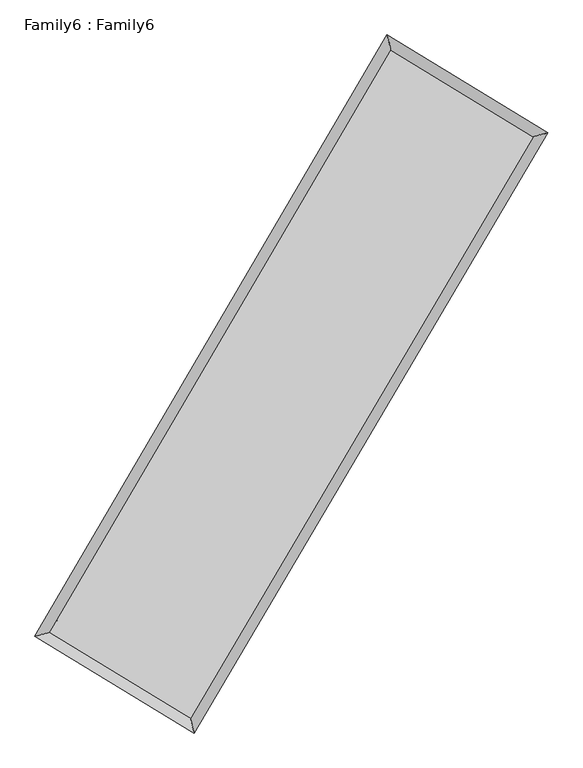
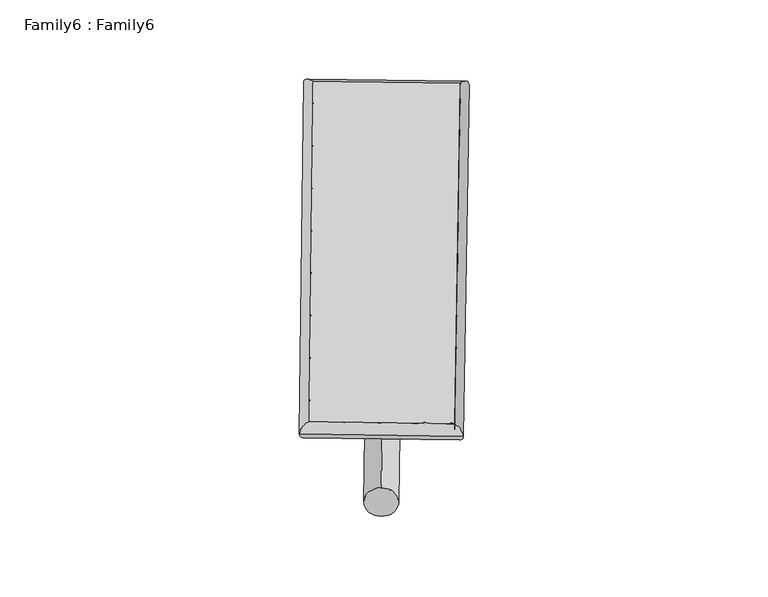
"""IFC4 building model written with IfcOpenShell, lengths in millimetres: plate geometry, Family6 : Family6."""

import ifcopenshell
import ifcopenshell.guid

model = None  # the IFC model being written
_history = None  # IfcOwnerHistory: only IFC2X3 demands one
_inside = {}  # id of a spatial element -> (the spatial element, [elements in it])
_under = {}  # id of a project, library or spatial element -> (it, [spatial elements below it])
_declared = {}  # id of a project -> (the project, [libraries it declares])
_typed = {}  # id of a type object -> (the type object, [elements of that type])
_made_of = {}  # id of a material, layer set ... -> (it, [elements and type objects made of it])


def new_model(schema):
    """Start an empty IFC model of exactly this schema.

    Asked for "IFC4X3", IfcOpenShell would pick the latest addendum, in which some entities
    have other attributes; the version numbers below select the first issue.
    IFC2X3 requires an IfcOwnerHistory on every rooted entity: one is made here for all.
    """
    global model, _history
    if schema == "IFC4X3":
        model = ifcopenshell.file(schema_version=(4, 3, 0, 0))
    else:
        model = ifcopenshell.file(schema=schema)
    _inside.clear()
    _under.clear()
    _declared.clear()
    _typed.clear()
    _made_of.clear()
    _history = None
    if model.schema == "IFC2X3":
        org = make("IfcOrganization", Name="unknown")
        user = make(
            "IfcPersonAndOrganization",
            ThePerson=make("IfcPerson", FamilyName="unknown"),
            TheOrganization=org,
        )
        app = make(
            "IfcApplication",
            ApplicationDeveloper=org,
            Version="unknown",
            ApplicationFullName="unknown",
            ApplicationIdentifier="unknown",
        )
        _history = make(
            "IfcOwnerHistory",
            OwningUser=user,
            OwningApplication=app,
            ChangeAction="ADDED",
            CreationDate=0,
        )
    return model


def make(cls, **values):
    """One entity of the class cls with the attributes given. An attribute that is None is left unset."""
    return model.create_entity(
        cls, **{name: value for name, value in values.items() if value is not None}
    )


def rooted(cls, **values):
    """An entity with a GlobalId (a new one), such as an element, a storey or a relation."""
    return make(cls, GlobalId=ifcopenshell.guid.new(), OwnerHistory=_history, **values)


def si_unit(unit_type, name, prefix=None):
    """IfcSIUnit, for example si_unit("LENGTHUNIT", "METRE", prefix="MILLI")."""
    return make("IfcSIUnit", UnitType=unit_type, Prefix=prefix, Name=name)


def assignment(units):
    """IfcUnitAssignment: the units of a project."""
    return None if units is None else make("IfcUnitAssignment", Units=units)


def point(xyz):
    """IfcCartesianPoint."""
    return None if xyz is None else make("IfcCartesianPoint", Coordinates=xyz)


def direction(xyz):
    """IfcDirection."""
    return None if xyz is None else make("IfcDirection", DirectionRatios=xyz)


def frame(location, z_axis=None, x_axis=None):
    """IfcAxis2Placement3D, a coordinate frame: its origin and axes. An axis left out is left unset."""
    return make(
        "IfcAxis2Placement3D",
        Location=point(location),
        Axis=direction(z_axis),
        RefDirection=direction(x_axis),
    )


def frame_2d(location, x_axis=None):
    """IfcAxis2Placement2D, a coordinate frame in the plane: its origin and x axis."""
    return make(
        "IfcAxis2Placement2D", Location=point(location), RefDirection=direction(x_axis)
    )


def origin():
    """The frame at (0, 0, 0) with its axes left unset."""
    return frame((0.0, 0.0, 0.0))


def origin_2d():
    """The frame at (0, 0) in the plane with its x axis left unset."""
    return frame_2d((0.0, 0.0))


def place(relative_to, where):
    """IfcLocalPlacement: puts the frame where relative to a parent placement (None: the world)."""
    return make(
        "IfcLocalPlacement", PlacementRelTo=relative_to, RelativePlacement=where
    )


def context(
    kind, dimensions, precision=None, world=None, true_north=None, identifier=None
):
    """IfcGeometricRepresentationContext, for example the 3D "Model" context."""
    return make(
        "IfcGeometricRepresentationContext",
        ContextIdentifier=identifier,
        ContextType=kind,
        CoordinateSpaceDimension=dimensions,
        Precision=precision,
        WorldCoordinateSystem=world,
        TrueNorth=true_north,
    )


def project(units=None, contexts=None):
    """IfcProject with its units and contexts."""
    return rooted(
        "IfcProject",
        Name="project",
        RepresentationContexts=contexts,
        UnitsInContext=assignment(units),
    )


def spatial(cls, under=None, at=None, **own):
    """A site, building, storey or space (cls), placed at a placement, below another one or the project."""
    s = rooted(cls, ObjectPlacement=at, **own)
    if under is not None:
        _under.setdefault(under.id(), (under, []))[1].append(s)
    return s


def circle_curve(where, radius):
    """IfcCircle in the frame where."""
    return make("IfcCircle", Position=where, Radius=radius)


def ellipse_curve(where, semi_axis1, semi_axis2):
    """IfcEllipse in the frame where."""
    return make(
        "IfcEllipse", Position=where, SemiAxis1=semi_axis1, SemiAxis2=semi_axis2
    )


def trimmed(basis, trim1, trim2, sense, master):
    """IfcTrimmedCurve: the piece of a basis curve between two trims."""
    return make(
        "IfcTrimmedCurve",
        BasisCurve=basis,
        Trim1=trim1,
        Trim2=trim2,
        SenseAgreement=sense,
        MasterRepresentation=master,
    )


def segment(curve, same_sense, transition):
    """IfcCompositeCurveSegment."""
    return make(
        "IfcCompositeCurveSegment",
        Transition=transition,
        SameSense=same_sense,
        ParentCurve=curve,
    )


def composite_curve(segments, self_intersect=None):
    """IfcCompositeCurve: segments joined end to end."""
    return make("IfcCompositeCurve", Segments=segments, SelfIntersect=self_intersect)


def outline(outer, holes=None, kind="AREA"):
    """IfcArbitraryClosedProfileDef: a profile drawn as a closed curve; with holes, ...WithVoids."""
    if holes is None:
        return make("IfcArbitraryClosedProfileDef", ProfileType=kind, OuterCurve=outer)
    return make(
        "IfcArbitraryProfileDefWithVoids",
        ProfileType=kind,
        OuterCurve=outer,
        InnerCurves=holes,
    )


def extrude(swept, where, along, depth):
    """IfcExtrudedAreaSolid: the profile swept, set in the frame where, extruded along a direction by depth."""
    return make(
        "IfcExtrudedAreaSolid",
        SweptArea=swept,
        Position=where,
        ExtrudedDirection=direction(along),
        Depth=depth,
    )


def shape(context_of_items, identifier, shape_type, items):
    """IfcShapeRepresentation: the items that make up one representation, for example the "Body"."""
    return make(
        "IfcShapeRepresentation",
        ContextOfItems=context_of_items,
        RepresentationIdentifier=identifier,
        RepresentationType=shape_type,
        Items=items,
    )


def source(mapping_origin, context_of_items, identifier, shape_type, items):
    """IfcRepresentationMap: a shape defined once, which mapped items show again and again."""
    return make(
        "IfcRepresentationMap",
        MappingOrigin=mapping_origin,
        MappedRepresentation=shape(context_of_items, identifier, shape_type, items),
    )


def transform(
    local_origin,
    x_axis=None,
    y_axis=None,
    z_axis=None,
    scale=None,
    scale2=None,
    scale3=None,
    uniform=True,
):
    """IfcCartesianTransformationOperator3D, or its non-uniform kind. x_axis, y_axis, z_axis: its Axis1, 2, 3."""
    if uniform:
        return make(
            "IfcCartesianTransformationOperator3D",
            Axis1=direction(x_axis),
            Axis2=direction(y_axis),
            LocalOrigin=point(local_origin),
            Scale=scale,
            Axis3=direction(z_axis),
        )
    return make(
        "IfcCartesianTransformationOperator3DnonUniform",
        Axis1=direction(x_axis),
        Axis2=direction(y_axis),
        LocalOrigin=point(local_origin),
        Scale=scale,
        Axis3=direction(z_axis),
        Scale2=scale2,
        Scale3=scale3,
    )


def mapped(mapping_source, mapping_target):
    """IfcMappedItem: shows the shape of a source again, moved by a transform."""
    return make(
        "IfcMappedItem", MappingSource=mapping_source, MappingTarget=mapping_target
    )


def made_of(thing, what):
    """Note that an element or type object is made of a material, layer set ...; save() writes the relation."""
    if what is not None:
        _made_of.setdefault(what.id(), (what, []))[1].append(thing)
    return thing


def element(
    cls,
    number,
    at=None,
    inside=None,
    cuts=None,
    type_object=None,
    material=None,
    context=None,
    identifier="Body",
    shape_type=None,
    held_by="IfcProductDefinitionShape",
    body=None,
    shapes=None,
    **own,
):
    """One element of the class cls, such as IfcWall. Its Tag is "e" and its number.

    at: its placement. inside: the storey or other place that contains it. cuts: it is an
    opening in that element (IfcRelVoidsElement). A single representation is given by context,
    identifier, shape_type and body (its items); several are given by shapes. held_by: the class
    of the entity that holds the representations. save() writes the other relations.
    """
    e = rooted(cls, Tag="e%d" % number, ObjectPlacement=at, **own)
    if body is not None:
        shapes = [shape(context, identifier, shape_type, body)]
    if shapes is not None:
        e.Representation = make(held_by, Representations=shapes)
    if inside is not None:
        _inside.setdefault(inside.id(), (inside, []))[1].append(e)
    if cuts is not None:
        rooted(
            "IfcRelVoidsElement", RelatingBuildingElement=cuts, RelatedOpeningElement=e
        )
    if type_object is not None:
        _typed.setdefault(type_object.id(), (type_object, []))[1].append(e)
    return made_of(e, material)


def aggregate(whole, parts):
    """IfcRelAggregates: a whole, such as a stair, and the parts it consists of."""
    return rooted("IfcRelAggregates", RelatingObject=whole, RelatedObjects=parts)


def save(model, path):
    """Write the relations noted so far, then the file.

    IfcRelAggregates (storeys below a building ...), IfcRelContainedInSpatialStructure (elements
    in a storey), IfcRelDefinesByType, IfcRelAssociatesMaterial and IfcRelDeclares: one each for
    every whole, place, type object, material and project.
    """
    for whole, parts in _under.values():
        aggregate(whole, parts)
    for where, things in _inside.values():
        rooted(
            "IfcRelContainedInSpatialStructure",
            RelatedElements=things,
            RelatingStructure=where,
        )
    for kind, things in _typed.values():
        rooted("IfcRelDefinesByType", RelatedObjects=things, RelatingType=kind)
    for what, things in _made_of.values():
        rooted("IfcRelAssociatesMaterial", RelatedObjects=things, RelatingMaterial=what)
    for by, libraries in _declared.values():
        rooted("IfcRelDeclares", RelatingContext=by, RelatedDefinitions=libraries)
    model.write(path)


def plane_surface(at):
    """IfcPlane: the flat surface through the origin of the frame at, square to its z axis."""
    return make("IfcPlane", Position=at)


def cylinder_surface(at, radius):
    """IfcCylindricalSurface: all points at the distance radius from the z axis of the frame at."""
    return make("IfcCylindricalSurface", Position=at, Radius=radius)


def spline_surface(u_degree, v_degree, points, u_multiplicities, v_multiplicities, u_knots, v_knots, weights=None):
    """IfcBSplineSurfaceWithKnots; with weights, IfcRationalBSplineSurfaceWithKnots. points: one row for each step in u."""
    own = dict(
        UDegree=u_degree,
        VDegree=v_degree,
        ControlPointsList=[[point(p) for p in row] for row in points],
        SurfaceForm="UNSPECIFIED",
        UClosed=False,
        VClosed=False,
        SelfIntersect=False,
        UMultiplicities=u_multiplicities,
        VMultiplicities=v_multiplicities,
        UKnots=u_knots,
        VKnots=v_knots,
        KnotSpec="UNSPECIFIED",
    )
    if weights is None:
        return make("IfcBSplineSurfaceWithKnots", **own)
    return make("IfcRationalBSplineSurfaceWithKnots", WeightsData=weights, **own)


def advanced_brep(points, edges, surfaces, faces):
    """IfcAdvancedBrep: a solid bounded by faces that lie on surfaces and meet in shared edges.

    An edge is (start, end): straight between two places in points (the first is 0);
    or (start, end, curve); or (start, end, curve, False) where it runs against its curve.
    A face is (place in surfaces, loops), or (place, loops, False) where it looks against
    its surface's normal. A loop lists edges by number (the first is 1), with a minus sign
    where the edge is run from its end to its start. The first loop is the outer one.
    """
    corners = [point(p) for p in points]
    vertices = [make("IfcVertexPoint", VertexGeometry=c) for c in corners]
    made = []
    for start, end, *more in edges:
        made.append(
            make(
                "IfcEdgeCurve",
                EdgeStart=vertices[start],
                EdgeEnd=vertices[end],
                EdgeGeometry=more[0] if more else make("IfcPolyline", Points=[corners[start], corners[end]]),
                SameSense=more[1] if len(more) > 1 else True,
            )
        )
    hull = []
    for where, loops, *sense in faces:
        bounds = []
        for j, loop in enumerate(loops):
            ring = [make("IfcOrientedEdge", EdgeElement=made[abs(k) - 1], Orientation=k > 0) for k in loop]
            bounds.append(
                make(
                    "IfcFaceOuterBound" if j == 0 else "IfcFaceBound",
                    Bound=make("IfcEdgeLoop", EdgeList=ring),
                    Orientation=True,
                )
            )
        hull.append(make("IfcAdvancedFace", Bounds=bounds, FaceSurface=surfaces[where], SameSense=sense[0] if sense else True))
    return make("IfcAdvancedBrep", Outer=make("IfcClosedShell", CfsFaces=hull))


def family6_family6_ea197c63(model_context):
    return source(origin(), model_context, "Body", "SolidModel", [
        extrude(outline(composite_curve([segment(trimmed(circle_curve(origin_2d(), 76.2), [point((-75.4341515, -10.7763073))], [point((75.4341515, 10.7763073))], False, "CARTESIAN"), True, "CONTINUOUS"), segment(trimmed(circle_curve(origin_2d(), 76.2), [point((75.4341515, 10.7763073))], [point((-75.4341515, -10.7763073))], False, "CARTESIAN"), True, "CONTINUOUS")], self_intersect=False)), frame((9144.0, 9144.0, 0.0), z_axis=(0.6736963047205471, 0.6861660061739283, 0.27442576587704093), x_axis=(-0.6783844406682717, 0.721506546216164, -0.13864650888651633)), (0.0, 0.0, 1.0), 5557.1546667),
        extrude(outline(composite_curve([segment(trimmed(circle_curve(origin_2d(), 76.2), [point((-53.8815367, 53.8815367))], [point((53.8815367, -53.8815367))], False, "CARTESIAN"), True, "CONTINUOUS"), segment(trimmed(circle_curve(origin_2d(), 76.2), [point((53.8815367, -53.8815367))], [point((-53.8815367, 53.8815367))], False, "CARTESIAN"), True, "CONTINUOUS")], self_intersect=False)), frame((9144.0, 9144.0, 0.0), z_axis=(-0.6720495476067899, -0.6877518701937032, 0.27449366223389016), x_axis=(0.6426890013615132, -0.3575922419905043, 0.6775534192941141)), (0.0, 0.0, 1.0), 5555.594269),
        extrude(outline(composite_curve([segment(trimmed(circle_curve(origin_2d(), 76.2), [point((-53.8815367, -53.8815368))], [point((53.8815367, 53.8815368))], False, "CARTESIAN"), True, "CONTINUOUS"), segment(trimmed(circle_curve(origin_2d(), 76.2), [point((53.8815367, 53.8815368))], [point((-53.8815367, -53.8815368))], False, "CARTESIAN"), True, "CONTINUOUS")], self_intersect=False)), frame((9144.0, 9144.0, 0.0), z_axis=(0.27409110986531665, 0.9225209169701387, 0.27171533126670194), x_axis=(-0.8397402633884847, 0.3672869834452153, -0.3999206944332245)), (0.0, 0.0, 1.0), 5594.387132),
        extrude(outline(composite_curve([segment(trimmed(circle_curve(origin_2d(), 76.2), [point((-75.4341514, 10.7763074))], [point((75.4341514, -10.7763074))], False, "CARTESIAN"), True, "CONTINUOUS"), segment(trimmed(circle_curve(origin_2d(), 76.2), [point((75.4341514, -10.7763074))], [point((-75.4341514, 10.7763074))], False, "CARTESIAN"), True, "CONTINUOUS")], self_intersect=False)), frame((9144.0, 9144.0, 0.0), z_axis=(-0.2760907466421007, -0.9218601671173866, 0.27193332252762137), x_axis=(0.8781960810072972, -0.12698634739245804, 0.46113567513189313)), (0.0, 0.0, 1.0), 5589.4125637),
        advanced_brep(
        [(5203.0288879, 5270.8338691, 1524.5887525), (5203.0281246, 5270.8327183, 1525.4768925), (5617.7018818, 5375.4254339, 1525.362081), (10730.4072153, 14094.1058158, 1520.6108101), (10624.3363408, 14515.7724781, 1519.5506955), (5617.7026451, 5375.4265847, 1524.4739411), (12680.2811126, 12905.1888724, 1524.9734432), (13095.3880148, 13009.0723743, 1525.0794078), (7548.001317, 4201.8110383, 1520.0431956), (7653.628507, 3780.8753616, 1519.8518632)],
        [
            (0, 1, ellipse_curve(frame((5410.3653849, 5323.1296515, 1524.9754168), z_axis=(-0.24456878999970513, 0.969631379705654, 0.0010461587785134847), x_axis=(-0.9696300106748122, -0.24457031457236222, 0.0017330980177944948)), 213.8316553, 152.4)),
            (1, 2, ellipse_curve(frame((5410.3653849, 5323.1296515, 1524.9754168), z_axis=(-0.24456878999970513, 0.969631379705654, 0.0010461587785134847), x_axis=(-0.9696300106748122, -0.24457031457236222, 0.0017330980177944948)), 213.8316553, 152.4)),
            (2, 3),
            (3, 4, ellipse_curve(frame((10677.371778, 14304.9391469, 1520.0807528), z_axis=(-0.9697863182368672, -0.24395376967900526, -0.0010272390104107305), x_axis=(0.24395189609300538, -0.969785897589768, 0.0016689004270712764)), 217.4023022, 152.4)),
            (4, 0),
            (2, 5, ellipse_curve(frame((5410.3653849, 5323.1296515, 1524.9754168), z_axis=(-0.24456878999970513, 0.969631379705654, 0.0010461587785134847), x_axis=(-0.9696300106748122, -0.24457031457236222, 0.0017330980177944948)), 213.8316553, 152.4)),
            (5, 0, ellipse_curve(frame((5410.3653849, 5323.1296515, 1524.9754168), z_axis=(-0.24456878999970513, 0.969631379705654, 0.0010461587785134847), x_axis=(-0.9696300106748122, -0.24457031457236222, 0.0017330980177944948)), 213.8316553, 152.4)),
            (4, 3, ellipse_curve(frame((10677.371778, 14304.9391469, 1520.0807528), z_axis=(-0.9697863182368672, -0.24395376967900526, -0.0010272390104107305), x_axis=(0.24395189609300538, -0.969785897589768, 0.0016689004270712764)), 217.4023022, 152.4)),
            (3, 6),
            (6, 7, ellipse_curve(frame((12887.8345637, 12957.1306234, 1525.0264255), z_axis=(-0.24277010990987927, 0.9700833350380956, -0.000998406585974563), x_axis=(-0.9700819886803189, -0.24277153131195564, -0.0017084561702589945)), 213.9543835, 152.4)),
            (7, 4),
            (7, 6, ellipse_curve(frame((12887.8345637, 12957.1306234, 1525.0264255), z_axis=(-0.24277010990987927, 0.9700833350380956, -0.000998406585974563), x_axis=(-0.9700819886803189, -0.24277153131195564, -0.0017084561702589945)), 213.9543835, 152.4)),
            (6, 8),
            (8, 9, ellipse_curve(frame((7600.814912, 3991.3431999, 1519.9475294), z_axis=(0.9699282596333071, 0.24338872397274267, -0.0010489078243768471), x_axis=(-0.24338674749021633, 0.9699277971046913, 0.0017203342042595826)), 216.9932606, 152.4)),
            (9, 7),
            (9, 8, ellipse_curve(frame((7600.814912, 3991.3431999, 1519.9475294), z_axis=(0.9699282596333071, 0.24338872397274267, -0.0010489078243768471), x_axis=(-0.24338674749021633, 0.9699277971046913, 0.0017203342042595826)), 216.9932606, 152.4)),
            (8, 5),
            (1, 9),
        ],
        [
            cylinder_surface(frame((5410.3653849, 5323.1296515, 1524.9754168), z_axis=(-0.5058486511860409, -0.8626221195344235, 0.0004700885046227941), x_axis=(-0.8626190468211694, 0.5058452145563254, -0.0029998286288545105)), 152.4),
            cylinder_surface(frame((10677.371778, 14304.9391469, 1520.0807528), z_axis=(-0.853800564872784, 0.5205967212985616, -0.001910286916319562), x_axis=(0.5205995611769337, 0.85379959106761, -0.001534664512448995)), 152.4),
            cylinder_surface(frame((12887.8345637, 12957.1306234, 1525.0264255), z_axis=(0.5079496021608627, 0.8613866516062091, 0.0004879541626481691), x_axis=(0.8613867795212043, -0.5079496021608627, -0.0001331567101203811)), 152.4),
            cylinder_surface(frame((7600.814912, 3991.3431999, 1519.9475294), z_axis=(0.8544619895452077, -0.5195102132844952, -0.0019613045515753658), x_axis=(-0.5195084524321377, -0.8544642284820225, 0.0013601824096080629)), 152.4),
        ],
        [
            (0, [[1, 2, 3, 4, 5]]),
            (0, [[6, 7, -5, 8, -3]]),
            (1, [[-4, 9, 10, 11]]),
            (1, [[-8, -11, 12, -9]]),
            (2, [[-10, 13, 14, 15]]),
            (2, [[-12, -15, 16, -13]]),
            (3, [[-14, 17, -6, -2, 18]]),
            (3, [[-16, -18, -1, -7, -17]]),
        ],
    ),
        extrude(outline(composite_curve([segment(trimmed(circle_curve(origin_2d(), 304.8), [point((0.0, 304.8))], [point((0.0, -304.8))], False, "CARTESIAN"), True, "CONTINUOUS"), segment(trimmed(circle_curve(origin_2d(), 304.8), [point((0.0, -304.8))], [point((0.0, 304.8))], False, "CARTESIAN"), True, "CONTINUOUS")], self_intersect=False)), frame((11795.1755829, 13646.0519799, -9.42e-05), z_axis=(-0.5074338193038067, -0.8616907328193517, 1.8036931780755037e-08), x_axis=(-0.8616907328193518, 0.5074338193038067, -4.9162565084964906e-09)), (0.0, 0.0, 1.0), 10449.3452428),
        advanced_brep(
        [(5410.3653849, 5323.1296515, 1524.9754168), (7600.814912, 3991.3431999, 1519.9475294), (7600.8150605, 3991.3415616, 1672.3475294), (5410.3655333, 5323.1280131, 1677.3754168), (12887.8345637, 12957.1306234, 1525.0264255), (12887.8347122, 12957.128985, 1677.4264255), (10677.371778, 14304.9391469, 1520.0807528), (10677.3719265, 14304.9375086, 1672.4807528)],
        [
            (0, 1),
            (1, 2),
            (2, 3),
            (3, 0),
            (1, 4),
            (4, 5),
            (5, 2),
            (4, 6),
            (6, 7),
            (7, 5),
            (6, 0),
            (3, 7),
        ],
        [
            plane_surface(frame((6505.5901484, 4657.2364257, 1522.4614731), z_axis=(-0.5195112270178757, -0.8544636241099114, -8.679724799213963e-06), x_axis=(0.8544619895452079, -0.5195102132844948, -0.0019613045515753675))),
            plane_surface(frame((10244.3247379, 8474.2369116, 1522.4869775), z_axis=(0.8613867556983446, -0.5079496599740893, -6.2998060217346824e-06), x_axis=(0.5079496021608622, 0.8613866516062093, 0.0004879541626481687))),
            plane_surface(frame((11782.6031709, 13631.0348851, 1522.5535892), z_axis=(0.520597657017958, 0.8538021313115919, 8.671555114656416e-06), x_axis=(-0.8538005648727841, 0.5205967212985616, -0.001910286916319562))),
            plane_surface(frame((8043.8685814, 9814.0343992, 1522.5280848), z_axis=(-0.8626222133369672, 0.5058487096140638, 6.278423518387593e-06), x_axis=(-0.5058486511860408, -0.8626221195344235, 0.000470088504622795))),
            spline_surface(1, 1, [[(7600.8150605, 3991.3415616, 1672.3475294), (5410.3655333, 5323.1280131, 1677.3754168)], [(12887.8347122, 12957.128985, 1677.4264255), (10677.3719265, 14304.9375086, 1672.4807528)]], [2, 2], [2, 2], [0.0, 1.0], [0.0, 1.0]),
            spline_surface(1, 1, [[(10677.371778, 14304.9391469, 1520.0807528), (5410.3653849, 5323.1296515, 1524.9754168)], [(12887.8345637, 12957.1306234, 1525.0264255), (7600.814912, 3991.3431999, 1519.9475294)]], [2, 2], [2, 2], [0.0, 1.0], [0.0, 1.0]),
        ],
        [
            (0, [[1, 2, 3, 4]]),
            (1, [[5, 6, 7, -2]]),
            (2, [[8, 9, 10, -6]]),
            (3, [[11, -4, 12, -9]]),
            (4, [[-3, -7, -10, -12]]),
            (5, [[-11, -8, -5, -1]]),
        ],
    ),
    ])


if __name__ == "__main__":
    model = new_model("IFC4")
    model_context = context("Model", 3, world=origin())
    ifc_project = project(units=[si_unit("LENGTHUNIT", "METRE", prefix="MILLI")], contexts=[model_context])
    site = spatial("IfcSite", under=ifc_project)
    building = spatial("IfcBuilding", under=site)
    placement = place(None, origin())
    family6_family6_shape = family6_family6_ea197c63(model_context)
    element("IfcPlate", 1, ObjectType="Family6 : Family6", at=placement, inside=building, context=model_context, shape_type="MappedRepresentation", body=[
        mapped(family6_family6_shape, transform((0.0, 0.0, 0.0), x_axis=(1.0, 0.0, 0.0), y_axis=(0.0, 1.0, 0.0), z_axis=(0.0, 0.0, 1.0))),
    ])
    save(model, "model.ifc")
